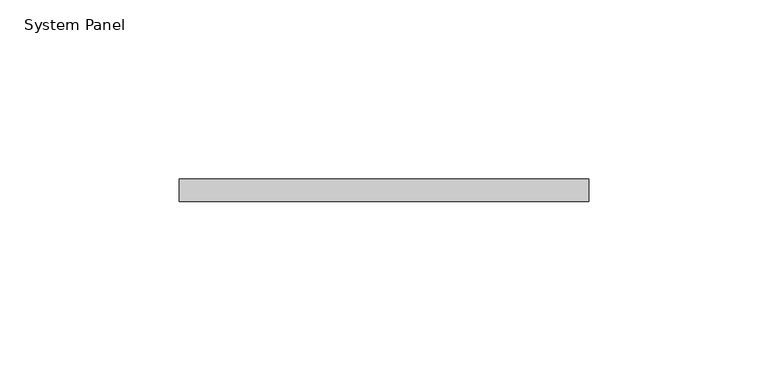
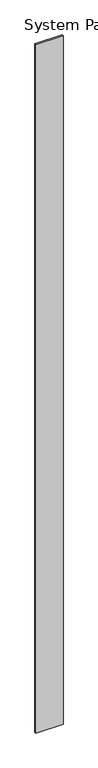
"""IFC4 building model written with IfcOpenShell, lengths in millimetres: plate geometry, System Panel."""

from ifc_helpers import new_model, si_unit, origin, origin_with_axes, place, context, project, spatial, polyline, outline, extrude, source, transform, mapped, element, save


def system_panel_1863d9fb(model_context):
    return source(origin(), model_context, "Body", "SweptSolid", [
        extrude(outline(polyline([(57.15, 0.0), (-57.15, 0.0), (-57.15, 6.35), (57.15, 6.35), (57.15, 0.0)])), origin_with_axes(), (0.0, 0.0, 1.0), 3048.0),
    ])


if __name__ == "__main__":
    model = new_model("IFC4")
    model_context = context("Model", 3, world=origin())
    ifc_project = project(units=[si_unit("LENGTHUNIT", "METRE", prefix="MILLI")], contexts=[model_context])
    site = spatial("IfcSite", under=ifc_project)
    building = spatial("IfcBuilding", under=site)
    placement = place(None, origin())
    system_panel_shape = system_panel_1863d9fb(model_context)
    element("IfcPlate", 1, ObjectType="System Panel", at=placement, inside=building, context=model_context, shape_type="MappedRepresentation", body=[
        mapped(system_panel_shape, transform((0.0, 0.0, 0.0), x_axis=(1.0, 0.0, 0.0), y_axis=(0.0, 1.0, 0.0), z_axis=(0.0, 0.0, 1.0))),
    ])
    save(model, "model.ifc")
